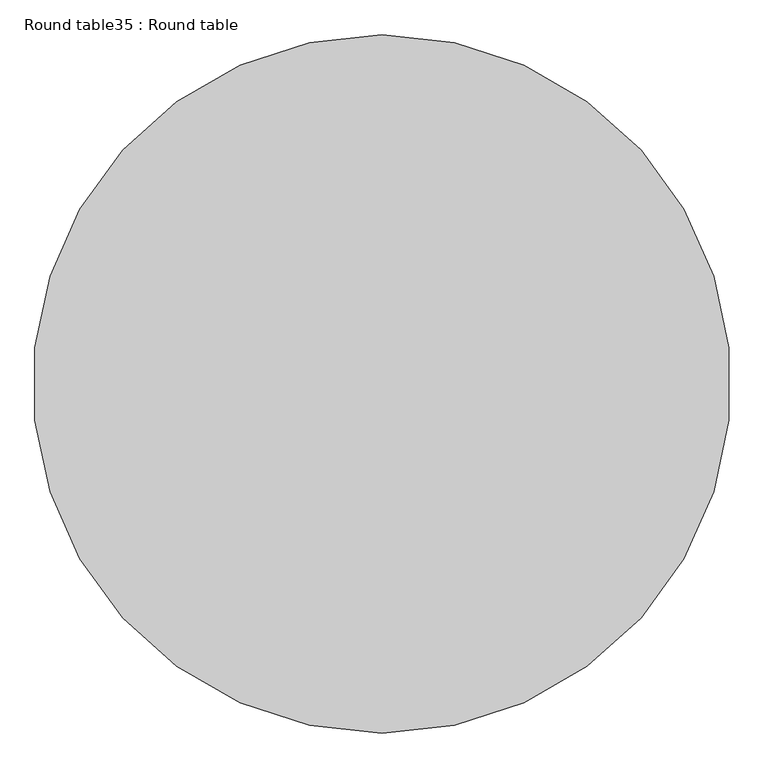
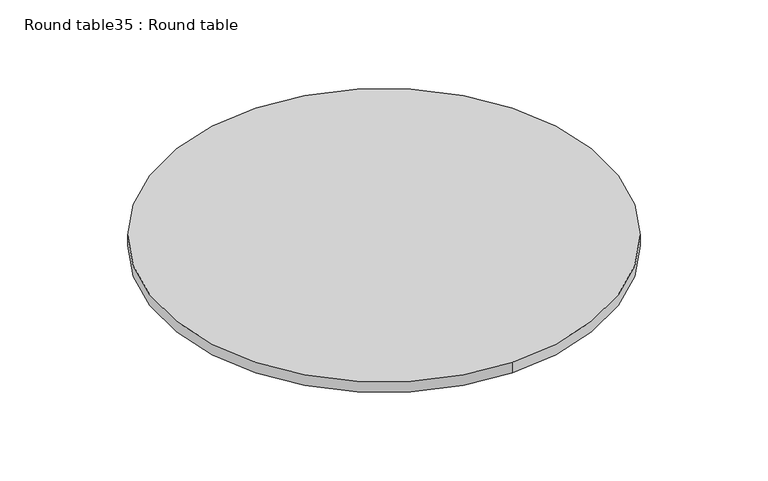
"""IFC4 building model written with IfcOpenShell, lengths in millimetres: furniture geometry, Round table35 : Round table."""

from ifc_helpers import new_model, si_unit, point, frame, frame_2d, origin, place, context, project, spatial, circle_curve, trimmed, segment, composite_curve, outline, extrude, source, transform, mapped, element, save


def round_table35_round_table_b2a9d757(model_context):
    return source(origin(), model_context, "Body", "SweptSolid", [
        extrude(outline(composite_curve([segment(trimmed(circle_curve(frame_2d((-119919.3976167, -36752.6450166)), 508.0), [point((-119919.3976167, -36244.6450166))], [point((-119919.3976167, -37260.6450166))], False, "CARTESIAN"), True, "CONTINUOUS"), segment(trimmed(circle_curve(frame_2d((-119919.3976167, -36752.6450166)), 508.0), [point((-119919.3976167, -37260.6450166))], [point((-119919.3976167, -36244.6450166))], False, "CARTESIAN"), True, "CONTINUOUS")], self_intersect=False)), frame((0.0, 0.0, 762.0), z_axis=(0.0, 0.0, 1.0), x_axis=(1.0, 0.0, 0.0)), (0.0, 0.0, 1.0), 25.4),
    ])


if __name__ == "__main__":
    model = new_model("IFC4")
    model_context = context("Model", 3, world=origin())
    ifc_project = project(units=[si_unit("LENGTHUNIT", "METRE", prefix="MILLI")], contexts=[model_context])
    site = spatial("IfcSite", under=ifc_project)
    building = spatial("IfcBuilding", under=site)
    placement = place(None, origin())
    round_table35_round_table_shape = round_table35_round_table_b2a9d757(model_context)
    element("IfcFurniture", 1, ObjectType="Round table35 : Round table", at=placement, inside=building, context=model_context, shape_type="MappedRepresentation", body=[
        mapped(round_table35_round_table_shape, transform((0.0, 0.0, 0.0), x_axis=(1.0, 0.0, 0.0), y_axis=(0.0, 1.0, 0.0), z_axis=(0.0, 0.0, 1.0))),
    ])
    save(model, "model.ifc")
